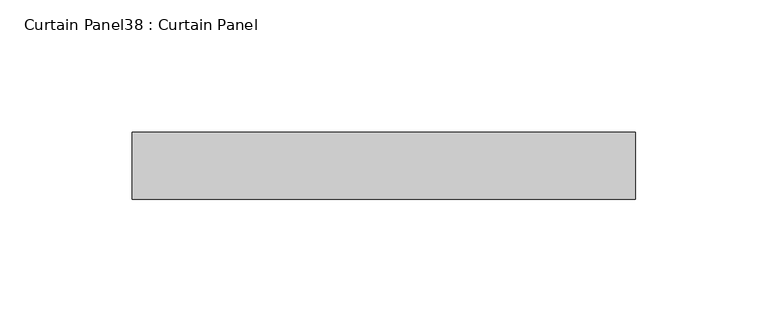
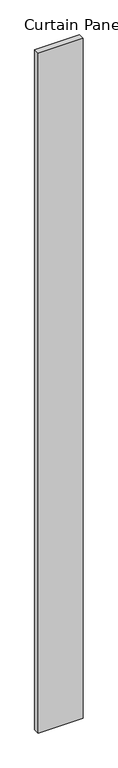
"""IFC4 building model written with IfcOpenShell, lengths in millimetres: plate geometry, Curtain Panel38 : Curtain Panel."""

import ifcopenshell
import ifcopenshell.guid

model = None  # the IFC model being written
_history = None  # IfcOwnerHistory: only IFC2X3 demands one
_inside = {}  # id of a spatial element -> (the spatial element, [elements in it])
_under = {}  # id of a project, library or spatial element -> (it, [spatial elements below it])
_declared = {}  # id of a project -> (the project, [libraries it declares])
_typed = {}  # id of a type object -> (the type object, [elements of that type])
_made_of = {}  # id of a material, layer set ... -> (it, [elements and type objects made of it])


def new_model(schema):
    """Start an empty IFC model of exactly this schema.

    Asked for "IFC4X3", IfcOpenShell would pick the latest addendum, in which some entities
    have other attributes; the version numbers below select the first issue.
    IFC2X3 requires an IfcOwnerHistory on every rooted entity: one is made here for all.
    """
    global model, _history
    if schema == "IFC4X3":
        model = ifcopenshell.file(schema_version=(4, 3, 0, 0))
    else:
        model = ifcopenshell.file(schema=schema)
    _inside.clear()
    _under.clear()
    _declared.clear()
    _typed.clear()
    _made_of.clear()
    _history = None
    if model.schema == "IFC2X3":
        org = make("IfcOrganization", Name="unknown")
        user = make(
            "IfcPersonAndOrganization",
            ThePerson=make("IfcPerson", FamilyName="unknown"),
            TheOrganization=org,
        )
        app = make(
            "IfcApplication",
            ApplicationDeveloper=org,
            Version="unknown",
            ApplicationFullName="unknown",
            ApplicationIdentifier="unknown",
        )
        _history = make(
            "IfcOwnerHistory",
            OwningUser=user,
            OwningApplication=app,
            ChangeAction="ADDED",
            CreationDate=0,
        )
    return model


def make(cls, **values):
    """One entity of the class cls with the attributes given. An attribute that is None is left unset."""
    return model.create_entity(
        cls, **{name: value for name, value in values.items() if value is not None}
    )


def rooted(cls, **values):
    """An entity with a GlobalId (a new one), such as an element, a storey or a relation."""
    return make(cls, GlobalId=ifcopenshell.guid.new(), OwnerHistory=_history, **values)


def si_unit(unit_type, name, prefix=None):
    """IfcSIUnit, for example si_unit("LENGTHUNIT", "METRE", prefix="MILLI")."""
    return make("IfcSIUnit", UnitType=unit_type, Prefix=prefix, Name=name)


def assignment(units):
    """IfcUnitAssignment: the units of a project."""
    return None if units is None else make("IfcUnitAssignment", Units=units)


def point(xyz):
    """IfcCartesianPoint."""
    return None if xyz is None else make("IfcCartesianPoint", Coordinates=xyz)


def direction(xyz):
    """IfcDirection."""
    return None if xyz is None else make("IfcDirection", DirectionRatios=xyz)


def frame(location, z_axis=None, x_axis=None):
    """IfcAxis2Placement3D, a coordinate frame: its origin and axes. An axis left out is left unset."""
    return make(
        "IfcAxis2Placement3D",
        Location=point(location),
        Axis=direction(z_axis),
        RefDirection=direction(x_axis),
    )


def origin():
    """The frame at (0, 0, 0) with its axes left unset."""
    return frame((0.0, 0.0, 0.0))


def place(relative_to, where):
    """IfcLocalPlacement: puts the frame where relative to a parent placement (None: the world)."""
    return make(
        "IfcLocalPlacement", PlacementRelTo=relative_to, RelativePlacement=where
    )


def context(
    kind, dimensions, precision=None, world=None, true_north=None, identifier=None
):
    """IfcGeometricRepresentationContext, for example the 3D "Model" context."""
    return make(
        "IfcGeometricRepresentationContext",
        ContextIdentifier=identifier,
        ContextType=kind,
        CoordinateSpaceDimension=dimensions,
        Precision=precision,
        WorldCoordinateSystem=world,
        TrueNorth=true_north,
    )


def project(units=None, contexts=None):
    """IfcProject with its units and contexts."""
    return rooted(
        "IfcProject",
        Name="project",
        RepresentationContexts=contexts,
        UnitsInContext=assignment(units),
    )


def spatial(cls, under=None, at=None, **own):
    """A site, building, storey or space (cls), placed at a placement, below another one or the project."""
    s = rooted(cls, ObjectPlacement=at, **own)
    if under is not None:
        _under.setdefault(under.id(), (under, []))[1].append(s)
    return s


def polyline(points):
    """IfcPolyline through the points."""
    return make("IfcPolyline", Points=[point(p) for p in points])


def outline(outer, holes=None, kind="AREA"):
    """IfcArbitraryClosedProfileDef: a profile drawn as a closed curve; with holes, ...WithVoids."""
    if holes is None:
        return make("IfcArbitraryClosedProfileDef", ProfileType=kind, OuterCurve=outer)
    return make(
        "IfcArbitraryProfileDefWithVoids",
        ProfileType=kind,
        OuterCurve=outer,
        InnerCurves=holes,
    )


def extrude(swept, where, along, depth):
    """IfcExtrudedAreaSolid: the profile swept, set in the frame where, extruded along a direction by depth."""
    return make(
        "IfcExtrudedAreaSolid",
        SweptArea=swept,
        Position=where,
        ExtrudedDirection=direction(along),
        Depth=depth,
    )


def shape(context_of_items, identifier, shape_type, items):
    """IfcShapeRepresentation: the items that make up one representation, for example the "Body"."""
    return make(
        "IfcShapeRepresentation",
        ContextOfItems=context_of_items,
        RepresentationIdentifier=identifier,
        RepresentationType=shape_type,
        Items=items,
    )


def source(mapping_origin, context_of_items, identifier, shape_type, items):
    """IfcRepresentationMap: a shape defined once, which mapped items show again and again."""
    return make(
        "IfcRepresentationMap",
        MappingOrigin=mapping_origin,
        MappedRepresentation=shape(context_of_items, identifier, shape_type, items),
    )


def transform(
    local_origin,
    x_axis=None,
    y_axis=None,
    z_axis=None,
    scale=None,
    scale2=None,
    scale3=None,
    uniform=True,
):
    """IfcCartesianTransformationOperator3D, or its non-uniform kind. x_axis, y_axis, z_axis: its Axis1, 2, 3."""
    if uniform:
        return make(
            "IfcCartesianTransformationOperator3D",
            Axis1=direction(x_axis),
            Axis2=direction(y_axis),
            LocalOrigin=point(local_origin),
            Scale=scale,
            Axis3=direction(z_axis),
        )
    return make(
        "IfcCartesianTransformationOperator3DnonUniform",
        Axis1=direction(x_axis),
        Axis2=direction(y_axis),
        LocalOrigin=point(local_origin),
        Scale=scale,
        Axis3=direction(z_axis),
        Scale2=scale2,
        Scale3=scale3,
    )


def mapped(mapping_source, mapping_target):
    """IfcMappedItem: shows the shape of a source again, moved by a transform."""
    return make(
        "IfcMappedItem", MappingSource=mapping_source, MappingTarget=mapping_target
    )


def made_of(thing, what):
    """Note that an element or type object is made of a material, layer set ...; save() writes the relation."""
    if what is not None:
        _made_of.setdefault(what.id(), (what, []))[1].append(thing)
    return thing


def element(
    cls,
    number,
    at=None,
    inside=None,
    cuts=None,
    type_object=None,
    material=None,
    context=None,
    identifier="Body",
    shape_type=None,
    held_by="IfcProductDefinitionShape",
    body=None,
    shapes=None,
    **own,
):
    """One element of the class cls, such as IfcWall. Its Tag is "e" and its number.

    at: its placement. inside: the storey or other place that contains it. cuts: it is an
    opening in that element (IfcRelVoidsElement). A single representation is given by context,
    identifier, shape_type and body (its items); several are given by shapes. held_by: the class
    of the entity that holds the representations. save() writes the other relations.
    """
    e = rooted(cls, Tag="e%d" % number, ObjectPlacement=at, **own)
    if body is not None:
        shapes = [shape(context, identifier, shape_type, body)]
    if shapes is not None:
        e.Representation = make(held_by, Representations=shapes)
    if inside is not None:
        _inside.setdefault(inside.id(), (inside, []))[1].append(e)
    if cuts is not None:
        rooted(
            "IfcRelVoidsElement", RelatingBuildingElement=cuts, RelatedOpeningElement=e
        )
    if type_object is not None:
        _typed.setdefault(type_object.id(), (type_object, []))[1].append(e)
    return made_of(e, material)


def aggregate(whole, parts):
    """IfcRelAggregates: a whole, such as a stair, and the parts it consists of."""
    return rooted("IfcRelAggregates", RelatingObject=whole, RelatedObjects=parts)


def save(model, path):
    """Write the relations noted so far, then the file.

    IfcRelAggregates (storeys below a building ...), IfcRelContainedInSpatialStructure (elements
    in a storey), IfcRelDefinesByType, IfcRelAssociatesMaterial and IfcRelDeclares: one each for
    every whole, place, type object, material and project.
    """
    for whole, parts in _under.values():
        aggregate(whole, parts)
    for where, things in _inside.values():
        rooted(
            "IfcRelContainedInSpatialStructure",
            RelatedElements=things,
            RelatingStructure=where,
        )
    for kind, things in _typed.values():
        rooted("IfcRelDefinesByType", RelatedObjects=things, RelatingType=kind)
    for what, things in _made_of.values():
        rooted("IfcRelAssociatesMaterial", RelatedObjects=things, RelatingMaterial=what)
    for by, libraries in _declared.values():
        rooted("IfcRelDeclares", RelatingContext=by, RelatedDefinitions=libraries)
    model.write(path)


def curtain_panel38_curtain_panel_4f6ed685(model_context):
    return source(origin(), model_context, "Body", "SweptSolid", [
        extrude(outline(polyline([(53755.5556695, 2225.3702751), (53565.0556695, 2225.3702751), (53565.0556695, 2250.7702751), (53755.5556695, 2250.7702751), (53755.5556695, 2225.3702751)])), frame((0.0, 0.0, -626.2681873), z_axis=(0.0, 0.0, 1.0), x_axis=(1.0, 0.0, 0.0)), (0.0, 0.0, 1.0), 3048.0),
    ])


if __name__ == "__main__":
    model = new_model("IFC4")
    model_context = context("Model", 3, world=origin())
    ifc_project = project(units=[si_unit("LENGTHUNIT", "METRE", prefix="MILLI")], contexts=[model_context])
    site = spatial("IfcSite", under=ifc_project)
    building = spatial("IfcBuilding", under=site)
    placement = place(None, origin())
    curtain_panel38_curtain_panel_shape = curtain_panel38_curtain_panel_4f6ed685(model_context)
    element("IfcPlate", 1, ObjectType="Curtain Panel38 : Curtain Panel", at=placement, inside=building, context=model_context, shape_type="MappedRepresentation", body=[
        mapped(curtain_panel38_curtain_panel_shape, transform((0.0, 0.0, 0.0), x_axis=(1.0, 0.0, 0.0), y_axis=(0.0, 1.0, 0.0), z_axis=(0.0, 0.0, 1.0))),
    ])
    save(model, "model.ifc")
